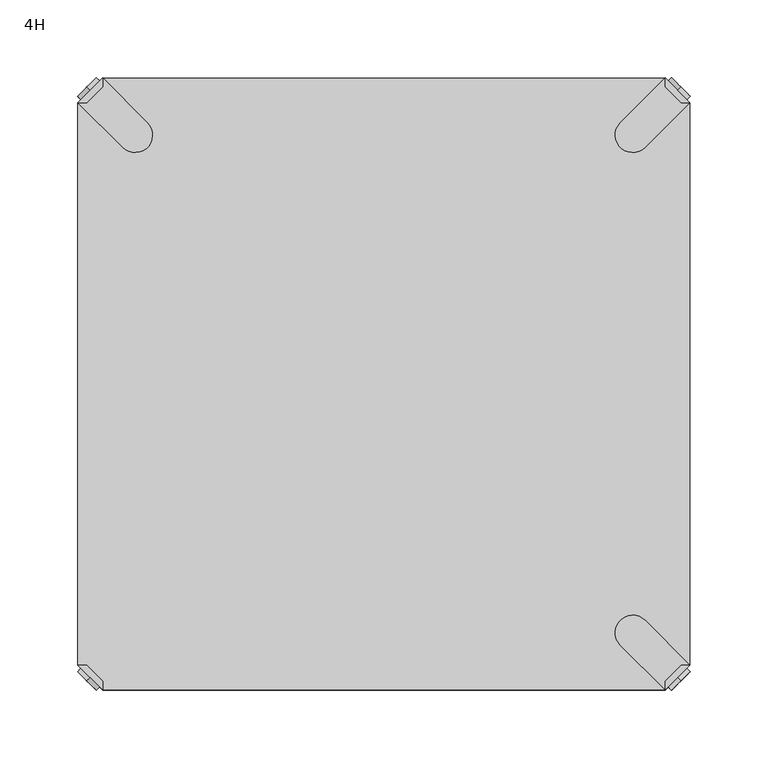
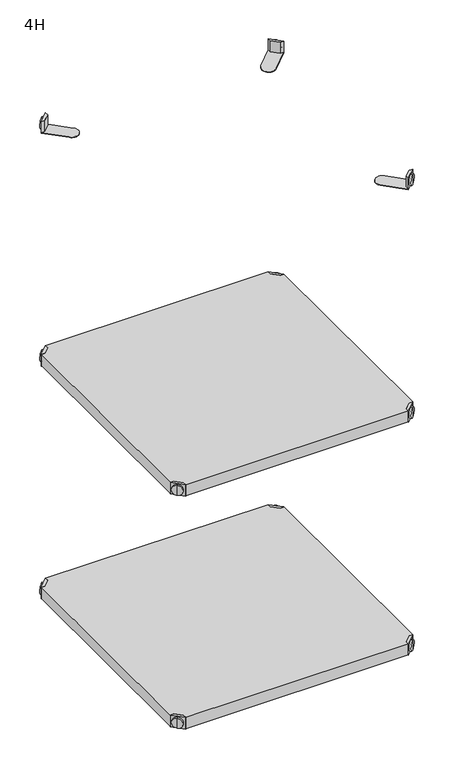
"""IFC4 building model written with IfcOpenShell, lengths in millimetres: furniture geometry, 4H."""

from ifc_helpers import new_model, si_unit, frame, origin, place, context, project, spatial, polyline, circle_curve, outline, extrude, source, transform, mapped, element, save
from ifc_brep_helpers import plane_surface, cylinder_surface, advanced_brep


def furniture_4h_f8468c08(model_context):
    return source(origin(), model_context, "Body", "SolidModel", [
        advanced_brep(
        [(389.0398449, 10.9601551, 498.5), (389.0398449, 10.9601551, 515.5), (389.0398449, 10.9601551, 507.0), (391.1611652, 8.8388348, 498.5), (391.1611652, 8.8388348, 515.5), (391.1611652, 8.8388348, 507.0)],
        [
            (0, 1, circle_curve(frame((389.0398449, 10.9601551, 507.0), z_axis=(-0.7071067811865556, 0.7071067811865395, 0.0), x_axis=(0.0, 0.0, 1.0)), 8.5)),
            (1, 2),
            (2, 0),
            (1, 0, circle_curve(frame((389.0398449, 10.9601551, 507.0), z_axis=(-0.7071067811865556, 0.7071067811865395, 0.0), x_axis=(0.0, 0.0, 1.0)), 8.5)),
            (3, 4, circle_curve(frame((391.1611652, 8.8388348, 507.0), z_axis=(-0.7071067811865556, 0.7071067811865395, 0.0), x_axis=(0.0, 0.0, 1.0)), 8.5)),
            (4, 1),
            (0, 3),
            (4, 3, circle_curve(frame((391.1611652, 8.8388348, 507.0), z_axis=(-0.7071067811865556, 0.7071067811865395, 0.0), x_axis=(0.0, 0.0, 1.0)), 8.5)),
            (5, 4),
            (3, 5),
        ],
        [
            plane_surface(frame((389.0398449, 10.9601551, 507.0), z_axis=(-0.7071067811865552, 0.7071067811865399, 0.0), x_axis=(0.0, 0.0, 1.0))),
            cylinder_surface(frame((391.1611652, 8.8388348, 507.0), z_axis=(0.7071067811865556, -0.7071067811865395, 0.0), x_axis=(0.0, 0.0, 1.0)), 8.5),
            plane_surface(frame((391.1611652, 8.8388348, 507.0), z_axis=(0.7071067811865552, -0.7071067811865399, 0.0), x_axis=(0.0, 0.0, 1.0))),
        ],
        [
            (0, [[1, 2, 3]]),
            (0, [[4, -3, -2]]),
            (1, [[5, 6, -1, 7]]),
            (1, [[8, -7, -4, -6]]),
            (2, [[9, -5, 10]]),
            (2, [[-10, -8, -9]]),
        ],
    ),
        advanced_brep(
        [(381.0796898, 3.0, 517.0), (397.0, 18.9203102, 517.0), (391.3431458, 18.9203102, 517.0), (381.0796898, 8.6568542, 517.0), (381.0796898, 3.0, 498.0), (381.0796898, 3.0, 497.0), (397.0, 18.9203102, 497.0), (397.0, 18.9203102, 498.0), (391.3431458, 18.9203102, 498.0), (381.0796898, 8.6568542, 498.0), (368.1906025, 47.7297077, 498.0), (352.2702923, 31.8093975, 498.0), (352.2702923, 31.8093975, 497.0), (368.1906025, 47.7297077, 497.0)],
        [
            (0, 1),
            (1, 2),
            (2, 3),
            (3, 0),
            (0, 4),
            (4, 5),
            (5, 6),
            (6, 7),
            (7, 1),
            (2, 8),
            (8, 9),
            (9, 3),
            (9, 4),
            (7, 8),
            (7, 10),
            (10, 11, circle_curve(frame((360.2304474, 39.7695526, 498.0), z_axis=(0.0, 0.0, 1.0), x_axis=(-1.0, 0.0, 0.0)), 11.2573593)),
            (11, 4),
            (5, 12),
            (12, 13, circle_curve(frame((360.2304474, 39.7695526, 497.0), z_axis=(0.0, 0.0, -1.0), x_axis=(-1.0, 0.0, 0.0)), 11.2573593)),
            (13, 6),
            (13, 10),
            (12, 11),
        ],
        [
            plane_surface(frame((438.8756299, 60.7959401, 517.0), z_axis=(0.0, 0.0, 1.0000000000000002), x_axis=(0.7071067811865465, 0.7071067811865487, 0.0))),
            plane_surface(frame((381.0796898, 3.0, 517.0), z_axis=(0.7071067811865487, -0.7071067811865465, 0.0), x_axis=(0.0, 0.0, -1.0))),
            plane_surface(frame((391.3431458, 18.9203102, 517.0), z_axis=(-0.7071067811865573, 0.7071067811865377, 0.0), x_axis=(0.0, 0.0, -1.0))),
            plane_surface(frame((381.0796898, 8.6568542, 517.0), z_axis=(-1.0, 0.0, 0.0), x_axis=(0.0, 0.0, -1.0))),
            plane_surface(frame((397.0, 18.9203102, 517.0), z_axis=(0.0, 1.0, 0.0), x_axis=(0.0, 0.0, -1.0))),
            plane_surface(frame((397.0, 18.9203102, 498.0), z_axis=(0.0, 0.0, 1.0), x_axis=(0.7071067811865392, 0.7071067811865558, 0.0))),
            plane_surface(frame((397.0, 18.9203102, 497.0), z_axis=(0.0, 0.0, -1.0), x_axis=(-0.7071067811865392, -0.7071067811865558, 0.0))),
            plane_surface(frame((397.0, 18.9203102, 498.0), z_axis=(0.7071067811865399, 0.7071067811865552, 0.0), x_axis=(0.0, 0.0, -1.0))),
            cylinder_surface(frame((360.2304474, 39.7695526, 497.0), z_axis=(0.0, 0.0, 1.0), x_axis=(-1.0, 0.0, 0.0)), 11.2573593),
            plane_surface(frame((352.2702923, 31.8093975, 498.0), z_axis=(-0.7071067811865388, -0.7071067811865563, 0.0), x_axis=(0.0, 0.0, -1.0))),
        ],
        [
            (0, [[1, 2, 3, 4]]),
            (1, [[-1, 5, 6, 7, 8, 9]]),
            (2, [[-3, 10, 11, 12]]),
            (3, [[-4, -12, 13, -5]]),
            (4, [[-2, -9, 14, -10]]),
            (5, [[15, 16, 17, -13, -11, -14]]),
            (6, [[18, 19, 20, -7]]),
            (7, [[-15, -8, -20, 21]]),
            (8, [[-16, -21, -19, 22]]),
            (9, [[-17, -22, -18, -6]]),
        ],
    ),
        advanced_brep(
        [(389.0398449, 389.0398449, 498.5), (389.0398449, 389.0398449, 507.0), (389.0398449, 389.0398449, 515.5), (391.1611652, 391.1611652, 498.5), (391.1611652, 391.1611652, 515.5), (391.1611652, 391.1611652, 507.0)],
        [
            (0, 1),
            (1, 2),
            (2, 0, circle_curve(frame((389.0398449, 389.0398449, 507.0), z_axis=(-0.7071067811865509, -0.7071067811865441, 0.0), x_axis=(0.0, 0.0, 1.0)), 8.5)),
            (0, 2, circle_curve(frame((389.0398449, 389.0398449, 507.0), z_axis=(-0.7071067811865509, -0.7071067811865441, 0.0), x_axis=(0.0, 0.0, 1.0)), 8.5)),
            (3, 0),
            (2, 4),
            (4, 3, circle_curve(frame((391.1611652, 391.1611652, 507.0), z_axis=(-0.7071067811865509, -0.7071067811865441, 0.0), x_axis=(0.0, 0.0, 1.0)), 8.5)),
            (3, 4, circle_curve(frame((391.1611652, 391.1611652, 507.0), z_axis=(-0.7071067811865509, -0.7071067811865441, 0.0), x_axis=(0.0, 0.0, 1.0)), 8.5)),
            (5, 3),
            (4, 5),
        ],
        [
            plane_surface(frame((389.0398449, 389.0398449, 507.0), z_axis=(-0.7071067811865506, -0.7071067811865446, 0.0), x_axis=(0.0, 0.0, 1.0))),
            cylinder_surface(frame((391.1611652, 391.1611652, 507.0), z_axis=(0.7071067811865509, 0.7071067811865441, 0.0), x_axis=(0.0, 0.0, 1.0)), 8.5),
            plane_surface(frame((391.1611652, 391.1611652, 507.0), z_axis=(0.7071067811865506, 0.7071067811865446, 0.0), x_axis=(0.0, 0.0, 1.0))),
        ],
        [
            (0, [[1, 2, 3]]),
            (0, [[-2, -1, 4]]),
            (1, [[5, -3, 6, 7]]),
            (1, [[-6, -4, -5, 8]]),
            (2, [[9, -7, 10]]),
            (2, [[-10, -8, -9]]),
        ],
    ),
        advanced_brep(
        [(381.0796898, 397.0, 517.0), (381.0796898, 391.3431458, 517.0), (391.3431458, 381.0796898, 517.0), (397.0, 381.0796898, 517.0), (397.0, 381.0796898, 498.0), (397.0, 381.0796898, 497.0), (381.0796898, 397.0, 497.0), (381.0796898, 397.0, 498.0), (381.0796898, 391.3431458, 498.0), (391.3431458, 381.0796898, 498.0), (352.2702923, 368.1906025, 498.0), (368.1906025, 352.2702923, 498.0), (368.1906025, 352.2702923, 497.0), (352.2702923, 368.1906025, 497.0)],
        [
            (0, 1),
            (1, 2),
            (2, 3),
            (3, 0),
            (3, 4),
            (4, 5),
            (5, 6),
            (6, 7),
            (7, 0),
            (1, 8),
            (8, 9),
            (9, 2),
            (7, 8),
            (9, 4),
            (7, 10),
            (10, 11, circle_curve(frame((360.2304474, 360.2304474, 498.0), z_axis=(0.0, 0.0, 1.0), x_axis=(-1.0, 0.0, 0.0)), 11.2573593)),
            (11, 4),
            (5, 12),
            (12, 13, circle_curve(frame((360.2304474, 360.2304474, 497.0), z_axis=(0.0, 0.0, -1.0), x_axis=(-1.0, 0.0, 0.0)), 11.2573593)),
            (13, 6),
            (11, 12),
            (10, 13),
        ],
        [
            plane_surface(frame((438.8756299, 339.2040599, 517.0), z_axis=(0.0, 0.0, 1.0000000000000002), x_axis=(0.7071067811865511, -0.707106781186544, 0.0))),
            plane_surface(frame((381.0796898, 397.0, 517.0), z_axis=(0.707106781186544, 0.7071067811865511, 0.0), x_axis=(0.0, 0.0, -1.0))),
            plane_surface(frame((391.3431458, 381.0796898, 517.0), z_axis=(-0.7071067811865527, -0.7071067811865424, 0.0), x_axis=(0.0, 0.0, -1.0))),
            plane_surface(frame((381.0796898, 391.3431458, 517.0), z_axis=(-1.0, 0.0, 0.0), x_axis=(0.0, 0.0, -1.0))),
            plane_surface(frame((397.0, 381.0796898, 517.0), z_axis=(0.0, -1.0, 0.0), x_axis=(0.0, 0.0, -1.0))),
            plane_surface(frame((397.0, 381.0796898, 498.0), z_axis=(0.0, 0.0, 1.0), x_axis=(0.7071067811865439, -0.7071067811865511, 0.0))),
            plane_surface(frame((397.0, 381.0796898, 497.0), z_axis=(0.0, 0.0, -1.0), x_axis=(-0.7071067811865439, 0.7071067811865511, 0.0))),
            plane_surface(frame((397.0, 381.0796898, 498.0), z_axis=(0.7071067811865446, -0.7071067811865506, 0.0), x_axis=(0.0, 0.0, -1.0))),
            cylinder_surface(frame((360.2304474, 360.2304474, 497.0), z_axis=(0.0, 0.0, 1.0), x_axis=(-1.0, 0.0, 0.0)), 11.2573593),
            plane_surface(frame((352.2702923, 368.1906025, 498.0), z_axis=(-0.7071067811865435, 0.7071067811865517, 0.0), x_axis=(0.0, 0.0, -1.0))),
        ],
        [
            (0, [[1, 2, 3, 4]]),
            (1, [[5, 6, 7, 8, 9, -4]]),
            (2, [[10, 11, 12, -2]]),
            (3, [[-9, 13, -10, -1]]),
            (4, [[-12, 14, -5, -3]]),
            (5, [[-14, -11, -13, 15, 16, 17]]),
            (6, [[-7, 18, 19, 20]]),
            (7, [[21, -18, -6, -17]]),
            (8, [[22, -19, -21, -16]]),
            (9, [[-8, -20, -22, -15]]),
        ],
    ),
        advanced_brep(
        [(10.9601551, 389.0398449, 498.5), (10.9601551, 389.0398449, 515.5), (10.9601551, 389.0398449, 507.0), (8.8388348, 391.1611652, 498.5), (8.8388348, 391.1611652, 515.5), (8.8388348, 391.1611652, 507.0)],
        [
            (0, 1, circle_curve(frame((10.9601551, 389.0398449, 507.0), z_axis=(0.7071067811865509, -0.7071067811865441, 0.0), x_axis=(0.0, 0.0, 1.0)), 8.5)),
            (1, 2),
            (2, 0),
            (1, 0, circle_curve(frame((10.9601551, 389.0398449, 507.0), z_axis=(0.7071067811865509, -0.7071067811865441, 0.0), x_axis=(0.0, 0.0, 1.0)), 8.5)),
            (3, 4, circle_curve(frame((8.8388348, 391.1611652, 507.0), z_axis=(0.7071067811865509, -0.7071067811865441, 0.0), x_axis=(0.0, 0.0, 1.0)), 8.5)),
            (4, 1),
            (0, 3),
            (4, 3, circle_curve(frame((8.8388348, 391.1611652, 507.0), z_axis=(0.7071067811865509, -0.7071067811865441, 0.0), x_axis=(0.0, 0.0, 1.0)), 8.5)),
            (5, 4),
            (3, 5),
        ],
        [
            plane_surface(frame((10.9601551, 389.0398449, 507.0), z_axis=(0.7071067811865506, -0.7071067811865446, 0.0), x_axis=(0.0, 0.0, 1.0))),
            cylinder_surface(frame((8.8388348, 391.1611652, 507.0), z_axis=(-0.7071067811865509, 0.7071067811865441, 0.0), x_axis=(0.0, 0.0, 1.0)), 8.5),
            plane_surface(frame((8.8388348, 391.1611652, 507.0), z_axis=(-0.7071067811865506, 0.7071067811865446, 0.0), x_axis=(0.0, 0.0, 1.0))),
        ],
        [
            (0, [[1, 2, 3]]),
            (0, [[4, -3, -2]]),
            (1, [[5, 6, -1, 7]]),
            (1, [[8, -7, -4, -6]]),
            (2, [[9, -5, 10]]),
            (2, [[-10, -8, -9]]),
        ],
    ),
        advanced_brep(
        [(18.9203102, 397.0, 517.0), (3.0, 381.0796898, 517.0), (8.6568542, 381.0796898, 517.0), (18.9203102, 391.3431458, 517.0), (18.9203102, 397.0, 498.0), (18.9203102, 397.0, 497.0), (3.0, 381.0796898, 497.0), (3.0, 381.0796898, 498.0), (8.6568542, 381.0796898, 498.0), (18.9203102, 391.3431458, 498.0), (31.8093975, 352.2702923, 498.0), (47.7297077, 368.1906025, 498.0), (47.7297077, 368.1906025, 497.0), (31.8093975, 352.2702923, 497.0)],
        [
            (0, 1),
            (1, 2),
            (2, 3),
            (3, 0),
            (0, 4),
            (4, 5),
            (5, 6),
            (6, 7),
            (7, 1),
            (2, 8),
            (8, 9),
            (9, 3),
            (9, 4),
            (7, 8),
            (7, 10),
            (10, 11, circle_curve(frame((39.7695526, 360.2304474, 498.0), z_axis=(0.0, 0.0, 1.0), x_axis=(1.0, 0.0, 0.0)), 11.2573593)),
            (11, 4),
            (5, 12),
            (12, 13, circle_curve(frame((39.7695526, 360.2304474, 497.0), z_axis=(0.0, 0.0, -1.0), x_axis=(1.0, 0.0, 0.0)), 11.2573593)),
            (13, 6),
            (13, 10),
            (12, 11),
        ],
        [
            plane_surface(frame((-38.8756299, 339.2040599, 517.0), z_axis=(0.0, 0.0, 1.0000000000000002), x_axis=(-0.7071067811865511, -0.707106781186544, 0.0))),
            plane_surface(frame((18.9203102, 397.0, 517.0), z_axis=(-0.707106781186544, 0.7071067811865511, 0.0), x_axis=(0.0, 0.0, -1.0))),
            plane_surface(frame((8.6568542, 381.0796898, 517.0), z_axis=(0.7071067811865527, -0.7071067811865424, 0.0), x_axis=(0.0, 0.0, -1.0))),
            plane_surface(frame((18.9203102, 391.3431458, 517.0), z_axis=(1.0, 0.0, 0.0), x_axis=(0.0, 0.0, -1.0))),
            plane_surface(frame((3.0, 381.0796898, 517.0), z_axis=(0.0, -1.0, 0.0), x_axis=(0.0, 0.0, -1.0))),
            plane_surface(frame((3.0, 381.0796898, 498.0), z_axis=(0.0, 0.0, 1.0), x_axis=(-0.7071067811865439, -0.7071067811865511, 0.0))),
            plane_surface(frame((3.0, 381.0796898, 497.0), z_axis=(0.0, 0.0, -1.0), x_axis=(0.7071067811865439, 0.7071067811865511, 0.0))),
            plane_surface(frame((3.0, 381.0796898, 498.0), z_axis=(-0.7071067811865446, -0.7071067811865506, 0.0), x_axis=(0.0, 0.0, -1.0))),
            cylinder_surface(frame((39.7695526, 360.2304474, 497.0), z_axis=(0.0, 0.0, 1.0), x_axis=(1.0, 0.0, 0.0)), 11.2573593),
            plane_surface(frame((47.7297077, 368.1906025, 498.0), z_axis=(0.7071067811865435, 0.7071067811865517, 0.0), x_axis=(0.0, 0.0, -1.0))),
        ],
        [
            (0, [[1, 2, 3, 4]]),
            (1, [[-1, 5, 6, 7, 8, 9]]),
            (2, [[-3, 10, 11, 12]]),
            (3, [[-4, -12, 13, -5]]),
            (4, [[-2, -9, 14, -10]]),
            (5, [[15, 16, 17, -13, -11, -14]]),
            (6, [[18, 19, 20, -7]]),
            (7, [[-15, -8, -20, 21]]),
            (8, [[-16, -21, -19, 22]]),
            (9, [[-17, -22, -18, -6]]),
        ],
    ),
        advanced_brep(
        [(10.9601551, 10.9601551, 498.5), (10.9601551, 10.9601551, 507.0), (10.9601551, 10.9601551, 515.5), (8.8388348, 8.8388348, 498.5), (8.8388348, 8.8388348, 515.5), (8.8388348, 8.8388348, 507.0)],
        [
            (0, 1),
            (1, 2),
            (2, 0, circle_curve(frame((10.9601551, 10.9601551, 507.0), z_axis=(0.7071067811865464, 0.7071067811865487, 0.0), x_axis=(0.0, 0.0, 1.0)), 8.5)),
            (0, 2, circle_curve(frame((10.9601551, 10.9601551, 507.0), z_axis=(0.7071067811865464, 0.7071067811865487, 0.0), x_axis=(0.0, 0.0, 1.0)), 8.5)),
            (3, 0),
            (2, 4),
            (4, 3, circle_curve(frame((8.8388348, 8.8388348, 507.0), z_axis=(0.7071067811865464, 0.7071067811865487, 0.0), x_axis=(0.0, 0.0, 1.0)), 8.5)),
            (3, 4, circle_curve(frame((8.8388348, 8.8388348, 507.0), z_axis=(0.7071067811865464, 0.7071067811865487, 0.0), x_axis=(0.0, 0.0, 1.0)), 8.5)),
            (5, 3),
            (4, 5),
        ],
        [
            plane_surface(frame((10.9601551, 10.9601551, 507.0), z_axis=(0.707106781186546, 0.7071067811865491, 0.0), x_axis=(0.0, 0.0, 1.0))),
            cylinder_surface(frame((8.8388348, 8.8388348, 507.0), z_axis=(-0.7071067811865464, -0.7071067811865487, 0.0), x_axis=(0.0, 0.0, 1.0)), 8.5),
            plane_surface(frame((8.8388348, 8.8388348, 507.0), z_axis=(-0.707106781186546, -0.7071067811865491, 0.0), x_axis=(0.0, 0.0, 1.0))),
        ],
        [
            (0, [[1, 2, 3]]),
            (0, [[-2, -1, 4]]),
            (1, [[5, -3, 6, 7]]),
            (1, [[-6, -4, -5, 8]]),
            (2, [[9, -7, 10]]),
            (2, [[-10, -8, -9]]),
        ],
    ),
        advanced_brep(
        [(18.9203102, 3.0, 517.0), (18.9203102, 8.6568542, 517.0), (8.6568542, 18.9203102, 517.0), (3.0, 18.9203102, 517.0), (3.0, 18.9203102, 498.0), (3.0, 18.9203102, 497.0), (18.9203102, 3.0, 497.0), (18.9203102, 3.0, 498.0), (18.9203102, 8.6568542, 498.0), (8.6568542, 18.9203102, 498.0), (47.7297077, 31.8093975, 498.0), (31.8093975, 47.7297077, 498.0), (31.8093975, 47.7297077, 497.0), (47.7297077, 31.8093975, 497.0)],
        [
            (0, 1),
            (1, 2),
            (2, 3),
            (3, 0),
            (3, 4),
            (4, 5),
            (5, 6),
            (6, 7),
            (7, 0),
            (1, 8),
            (8, 9),
            (9, 2),
            (7, 8),
            (9, 4),
            (7, 10),
            (10, 11, circle_curve(frame((39.7695526, 39.7695526, 498.0), z_axis=(0.0, 0.0, 1.0), x_axis=(1.0, 0.0, 0.0)), 11.2573593)),
            (11, 4),
            (5, 12),
            (12, 13, circle_curve(frame((39.7695526, 39.7695526, 497.0), z_axis=(0.0, 0.0, -1.0), x_axis=(1.0, 0.0, 0.0)), 11.2573593)),
            (13, 6),
            (11, 12),
            (10, 13),
        ],
        [
            plane_surface(frame((-38.8756299, 60.7959401, 517.0), z_axis=(0.0, 0.0, 1.0000000000000002), x_axis=(-0.7071067811865557, 0.7071067811865395, 0.0))),
            plane_surface(frame((18.9203102, 3.0, 517.0), z_axis=(-0.7071067811865395, -0.7071067811865557, 0.0), x_axis=(0.0, 0.0, -1.0))),
            plane_surface(frame((8.6568542, 18.9203102, 517.0), z_axis=(0.7071067811865481, 0.7071067811865469, 0.0), x_axis=(0.0, 0.0, -1.0))),
            plane_surface(frame((18.9203102, 8.6568542, 517.0), z_axis=(1.0, 0.0, 0.0), x_axis=(0.0, 0.0, -1.0))),
            plane_surface(frame((3.0, 18.9203102, 517.0), z_axis=(0.0, 1.0, 0.0), x_axis=(0.0, 0.0, -1.0))),
            plane_surface(frame((3.0, 18.9203102, 498.0), z_axis=(0.0, 0.0, 1.0), x_axis=(-0.7071067811865485, 0.7071067811865466, 0.0))),
            plane_surface(frame((3.0, 18.9203102, 497.0), z_axis=(0.0, 0.0, -1.0), x_axis=(0.7071067811865485, -0.7071067811865466, 0.0))),
            plane_surface(frame((3.0, 18.9203102, 498.0), z_axis=(-0.7071067811865491, 0.707106781186546, 0.0), x_axis=(0.0, 0.0, -1.0))),
            cylinder_surface(frame((39.7695526, 39.7695526, 497.0), z_axis=(0.0, 0.0, 1.0), x_axis=(1.0, 0.0, 0.0)), 11.2573593),
            plane_surface(frame((47.7297077, 31.8093975, 498.0), z_axis=(0.707106781186548, -0.7071067811865471, 0.0), x_axis=(0.0, 0.0, -1.0))),
        ],
        [
            (0, [[1, 2, 3, 4]]),
            (1, [[5, 6, 7, 8, 9, -4]]),
            (2, [[10, 11, 12, -2]]),
            (3, [[-9, 13, -10, -1]]),
            (4, [[-12, 14, -5, -3]]),
            (5, [[-14, -11, -13, 15, 16, 17]]),
            (6, [[-7, 18, 19, 20]]),
            (7, [[21, -18, -6, -17]]),
            (8, [[22, -19, -21, -16]]),
            (9, [[-8, -20, -22, -15]]),
        ],
    ),
        extrude(outline(polyline([(381.0796898, 3.0), (18.9203102, 3.0), (18.9203102, 8.6568542), (8.6568542, 18.9203102), (3.0, 18.9203102), (3.0, 381.0796898), (8.6568542, 381.0796898), (18.9203102, 391.3431458), (18.9203102, 397.0), (381.0796898, 397.0), (381.0796898, 391.3431458), (391.3431458, 381.0796898), (397.0, 381.0796898), (397.0, 18.9203102), (391.3431458, 18.9203102), (381.0796898, 8.6568542), (381.0796898, 3.0)])), frame((0.0, 0.0, 498.0), z_axis=(0.0, 0.0, 1.0), x_axis=(1.0, 0.0, 0.0)), (0.0, 0.0, 1.0), 19.0),
        advanced_brep(
        [(389.0398449, 10.9601551, 898.5), (389.0398449, 10.9601551, 915.5), (389.0398449, 10.9601551, 907.0), (391.1611652, 8.8388348, 898.5), (391.1611652, 8.8388348, 915.5), (391.1611652, 8.8388348, 907.0)],
        [
            (0, 1, circle_curve(frame((389.0398449, 10.9601551, 907.0), z_axis=(-0.7071067811865556, 0.7071067811865395, 0.0), x_axis=(0.0, 0.0, 1.0)), 8.5)),
            (1, 2),
            (2, 0),
            (1, 0, circle_curve(frame((389.0398449, 10.9601551, 907.0), z_axis=(-0.7071067811865556, 0.7071067811865395, 0.0), x_axis=(0.0, 0.0, 1.0)), 8.5)),
            (3, 4, circle_curve(frame((391.1611652, 8.8388348, 907.0), z_axis=(-0.7071067811865556, 0.7071067811865395, 0.0), x_axis=(0.0, 0.0, 1.0)), 8.5)),
            (4, 1),
            (0, 3),
            (4, 3, circle_curve(frame((391.1611652, 8.8388348, 907.0), z_axis=(-0.7071067811865556, 0.7071067811865395, 0.0), x_axis=(0.0, 0.0, 1.0)), 8.5)),
            (5, 4),
            (3, 5),
        ],
        [
            plane_surface(frame((389.0398449, 10.9601551, 907.0), z_axis=(-0.7071067811865552, 0.7071067811865399, 0.0), x_axis=(0.0, 0.0, 1.0))),
            cylinder_surface(frame((391.1611652, 8.8388348, 907.0), z_axis=(0.7071067811865556, -0.7071067811865395, 0.0), x_axis=(0.0, 0.0, 1.0)), 8.5),
            plane_surface(frame((391.1611652, 8.8388348, 907.0), z_axis=(0.7071067811865552, -0.7071067811865399, 0.0), x_axis=(0.0, 0.0, 1.0))),
        ],
        [
            (0, [[1, 2, 3]]),
            (0, [[4, -3, -2]]),
            (1, [[5, 6, -1, 7]]),
            (1, [[8, -7, -4, -6]]),
            (2, [[9, -5, 10]]),
            (2, [[-10, -8, -9]]),
        ],
    ),
        advanced_brep(
        [(381.0796898, 3.0, 917.0), (397.0, 18.9203102, 917.0), (391.3431458, 18.9203102, 917.0), (381.0796898, 8.6568542, 917.0), (381.0796898, 3.0, 898.0), (381.0796898, 3.0, 897.0), (397.0, 18.9203102, 897.0), (397.0, 18.9203102, 898.0), (391.3431458, 18.9203102, 898.0), (381.0796898, 8.6568542, 898.0), (368.1906025, 47.7297077, 898.0), (352.2702923, 31.8093975, 898.0), (352.2702923, 31.8093975, 897.0), (368.1906025, 47.7297077, 897.0)],
        [
            (0, 1),
            (1, 2),
            (2, 3),
            (3, 0),
            (0, 4),
            (4, 5),
            (5, 6),
            (6, 7),
            (7, 1),
            (2, 8),
            (8, 9),
            (9, 3),
            (9, 4),
            (7, 8),
            (7, 10),
            (10, 11, circle_curve(frame((360.2304474, 39.7695526, 898.0), z_axis=(0.0, 0.0, 1.0), x_axis=(-1.0, 0.0, 0.0)), 11.2573593)),
            (11, 4),
            (5, 12),
            (12, 13, circle_curve(frame((360.2304474, 39.7695526, 897.0), z_axis=(0.0, 0.0, -1.0), x_axis=(-1.0, 0.0, 0.0)), 11.2573593)),
            (13, 6),
            (13, 10),
            (12, 11),
        ],
        [
            plane_surface(frame((438.8756299, 60.7959401, 917.0), z_axis=(0.0, 0.0, 1.0000000000000002), x_axis=(0.7071067811865465, 0.7071067811865487, 0.0))),
            plane_surface(frame((381.0796898, 3.0, 917.0), z_axis=(0.7071067811865487, -0.7071067811865465, 0.0), x_axis=(0.0, 0.0, -1.0))),
            plane_surface(frame((391.3431458, 18.9203102, 917.0), z_axis=(-0.7071067811865573, 0.7071067811865377, 0.0), x_axis=(0.0, 0.0, -1.0))),
            plane_surface(frame((381.0796898, 8.6568542, 917.0), z_axis=(-1.0, 0.0, 0.0), x_axis=(0.0, 0.0, -1.0))),
            plane_surface(frame((397.0, 18.9203102, 917.0), z_axis=(0.0, 1.0, 0.0), x_axis=(0.0, 0.0, -1.0))),
            plane_surface(frame((397.0, 18.9203102, 898.0), z_axis=(0.0, 0.0, 1.0), x_axis=(0.7071067811865392, 0.7071067811865558, 0.0))),
            plane_surface(frame((397.0, 18.9203102, 897.0), z_axis=(0.0, 0.0, -1.0), x_axis=(-0.7071067811865392, -0.7071067811865558, 0.0))),
            plane_surface(frame((397.0, 18.9203102, 898.0), z_axis=(0.7071067811865399, 0.7071067811865552, 0.0), x_axis=(0.0, 0.0, -1.0))),
            cylinder_surface(frame((360.2304474, 39.7695526, 897.0), z_axis=(0.0, 0.0, 1.0), x_axis=(-1.0, 0.0, 0.0)), 11.2573593),
            plane_surface(frame((352.2702923, 31.8093975, 898.0), z_axis=(-0.7071067811865388, -0.7071067811865563, 0.0), x_axis=(0.0, 0.0, -1.0))),
        ],
        [
            (0, [[1, 2, 3, 4]]),
            (1, [[-1, 5, 6, 7, 8, 9]]),
            (2, [[-3, 10, 11, 12]]),
            (3, [[-4, -12, 13, -5]]),
            (4, [[-2, -9, 14, -10]]),
            (5, [[15, 16, 17, -13, -11, -14]]),
            (6, [[18, 19, 20, -7]]),
            (7, [[-15, -8, -20, 21]]),
            (8, [[-16, -21, -19, 22]]),
            (9, [[-17, -22, -18, -6]]),
        ],
    ),
        advanced_brep(
        [(389.0398449, 389.0398449, 898.5), (389.0398449, 389.0398449, 907.0), (389.0398449, 389.0398449, 915.5), (391.1611652, 391.1611652, 898.5), (391.1611652, 391.1611652, 915.5), (391.1611652, 391.1611652, 907.0)],
        [
            (0, 1),
            (1, 2),
            (2, 0, circle_curve(frame((389.0398449, 389.0398449, 907.0), z_axis=(-0.7071067811865509, -0.7071067811865441, 0.0), x_axis=(0.0, 0.0, 1.0)), 8.5)),
            (0, 2, circle_curve(frame((389.0398449, 389.0398449, 907.0), z_axis=(-0.7071067811865509, -0.7071067811865441, 0.0), x_axis=(0.0, 0.0, 1.0)), 8.5)),
            (3, 0),
            (2, 4),
            (4, 3, circle_curve(frame((391.1611652, 391.1611652, 907.0), z_axis=(-0.7071067811865509, -0.7071067811865441, 0.0), x_axis=(0.0, 0.0, 1.0)), 8.5)),
            (3, 4, circle_curve(frame((391.1611652, 391.1611652, 907.0), z_axis=(-0.7071067811865509, -0.7071067811865441, 0.0), x_axis=(0.0, 0.0, 1.0)), 8.5)),
            (5, 3),
            (4, 5),
        ],
        [
            plane_surface(frame((389.0398449, 389.0398449, 907.0), z_axis=(-0.7071067811865506, -0.7071067811865446, 0.0), x_axis=(0.0, 0.0, 1.0))),
            cylinder_surface(frame((391.1611652, 391.1611652, 907.0), z_axis=(0.7071067811865509, 0.7071067811865441, 0.0), x_axis=(0.0, 0.0, 1.0)), 8.5),
            plane_surface(frame((391.1611652, 391.1611652, 907.0), z_axis=(0.7071067811865506, 0.7071067811865446, 0.0), x_axis=(0.0, 0.0, 1.0))),
        ],
        [
            (0, [[1, 2, 3]]),
            (0, [[-2, -1, 4]]),
            (1, [[5, -3, 6, 7]]),
            (1, [[-6, -4, -5, 8]]),
            (2, [[9, -7, 10]]),
            (2, [[-10, -8, -9]]),
        ],
    ),
        advanced_brep(
        [(381.0796898, 397.0, 917.0), (381.0796898, 391.3431458, 917.0), (391.3431458, 381.0796898, 917.0), (397.0, 381.0796898, 917.0), (397.0, 381.0796898, 898.0), (397.0, 381.0796898, 897.0), (381.0796898, 397.0, 897.0), (381.0796898, 397.0, 898.0), (381.0796898, 391.3431458, 898.0), (391.3431458, 381.0796898, 898.0), (352.2702923, 368.1906025, 898.0), (368.1906025, 352.2702923, 898.0), (368.1906025, 352.2702923, 897.0), (352.2702923, 368.1906025, 897.0)],
        [
            (0, 1),
            (1, 2),
            (2, 3),
            (3, 0),
            (3, 4),
            (4, 5),
            (5, 6),
            (6, 7),
            (7, 0),
            (1, 8),
            (8, 9),
            (9, 2),
            (7, 8),
            (9, 4),
            (7, 10),
            (10, 11, circle_curve(frame((360.2304474, 360.2304474, 898.0), z_axis=(0.0, 0.0, 1.0), x_axis=(-1.0, 0.0, 0.0)), 11.2573593)),
            (11, 4),
            (5, 12),
            (12, 13, circle_curve(frame((360.2304474, 360.2304474, 897.0), z_axis=(0.0, 0.0, -1.0), x_axis=(-1.0, 0.0, 0.0)), 11.2573593)),
            (13, 6),
            (11, 12),
            (10, 13),
        ],
        [
            plane_surface(frame((438.8756299, 339.2040599, 917.0), z_axis=(0.0, 0.0, 1.0000000000000002), x_axis=(0.7071067811865511, -0.707106781186544, 0.0))),
            plane_surface(frame((381.0796898, 397.0, 917.0), z_axis=(0.707106781186544, 0.7071067811865511, 0.0), x_axis=(0.0, 0.0, -1.0))),
            plane_surface(frame((391.3431458, 381.0796898, 917.0), z_axis=(-0.7071067811865527, -0.7071067811865424, 0.0), x_axis=(0.0, 0.0, -1.0))),
            plane_surface(frame((381.0796898, 391.3431458, 917.0), z_axis=(-1.0, 0.0, 0.0), x_axis=(0.0, 0.0, -1.0))),
            plane_surface(frame((397.0, 381.0796898, 917.0), z_axis=(0.0, -1.0, 0.0), x_axis=(0.0, 0.0, -1.0))),
            plane_surface(frame((397.0, 381.0796898, 898.0), z_axis=(0.0, 0.0, 1.0), x_axis=(0.7071067811865439, -0.7071067811865511, 0.0))),
            plane_surface(frame((397.0, 381.0796898, 897.0), z_axis=(0.0, 0.0, -1.0), x_axis=(-0.7071067811865439, 0.7071067811865511, 0.0))),
            plane_surface(frame((397.0, 381.0796898, 898.0), z_axis=(0.7071067811865446, -0.7071067811865506, 0.0), x_axis=(0.0, 0.0, -1.0))),
            cylinder_surface(frame((360.2304474, 360.2304474, 897.0), z_axis=(0.0, 0.0, 1.0), x_axis=(-1.0, 0.0, 0.0)), 11.2573593),
            plane_surface(frame((352.2702923, 368.1906025, 898.0), z_axis=(-0.7071067811865435, 0.7071067811865517, 0.0), x_axis=(0.0, 0.0, -1.0))),
        ],
        [
            (0, [[1, 2, 3, 4]]),
            (1, [[5, 6, 7, 8, 9, -4]]),
            (2, [[10, 11, 12, -2]]),
            (3, [[-9, 13, -10, -1]]),
            (4, [[-12, 14, -5, -3]]),
            (5, [[-14, -11, -13, 15, 16, 17]]),
            (6, [[-7, 18, 19, 20]]),
            (7, [[21, -18, -6, -17]]),
            (8, [[22, -19, -21, -16]]),
            (9, [[-8, -20, -22, -15]]),
        ],
    ),
        advanced_brep(
        [(10.9601551, 389.0398449, 898.5), (10.9601551, 389.0398449, 915.5), (10.9601551, 389.0398449, 907.0), (8.8388348, 391.1611652, 898.5), (8.8388348, 391.1611652, 915.5), (8.8388348, 391.1611652, 907.0)],
        [
            (0, 1, circle_curve(frame((10.9601551, 389.0398449, 907.0), z_axis=(0.7071067811865509, -0.7071067811865441, 0.0), x_axis=(0.0, 0.0, 1.0)), 8.5)),
            (1, 2),
            (2, 0),
            (1, 0, circle_curve(frame((10.9601551, 389.0398449, 907.0), z_axis=(0.7071067811865509, -0.7071067811865441, 0.0), x_axis=(0.0, 0.0, 1.0)), 8.5)),
            (3, 4, circle_curve(frame((8.8388348, 391.1611652, 907.0), z_axis=(0.7071067811865509, -0.7071067811865441, 0.0), x_axis=(0.0, 0.0, 1.0)), 8.5)),
            (4, 1),
            (0, 3),
            (4, 3, circle_curve(frame((8.8388348, 391.1611652, 907.0), z_axis=(0.7071067811865509, -0.7071067811865441, 0.0), x_axis=(0.0, 0.0, 1.0)), 8.5)),
            (5, 4),
            (3, 5),
        ],
        [
            plane_surface(frame((10.9601551, 389.0398449, 907.0), z_axis=(0.7071067811865506, -0.7071067811865446, 0.0), x_axis=(0.0, 0.0, 1.0))),
            cylinder_surface(frame((8.8388348, 391.1611652, 907.0), z_axis=(-0.7071067811865509, 0.7071067811865441, 0.0), x_axis=(0.0, 0.0, 1.0)), 8.5),
            plane_surface(frame((8.8388348, 391.1611652, 907.0), z_axis=(-0.7071067811865506, 0.7071067811865446, 0.0), x_axis=(0.0, 0.0, 1.0))),
        ],
        [
            (0, [[1, 2, 3]]),
            (0, [[4, -3, -2]]),
            (1, [[5, 6, -1, 7]]),
            (1, [[8, -7, -4, -6]]),
            (2, [[9, -5, 10]]),
            (2, [[-10, -8, -9]]),
        ],
    ),
        advanced_brep(
        [(18.9203102, 397.0, 917.0), (3.0, 381.0796898, 917.0), (8.6568542, 381.0796898, 917.0), (18.9203102, 391.3431458, 917.0), (18.9203102, 397.0, 898.0), (18.9203102, 397.0, 897.0), (3.0, 381.0796898, 897.0), (3.0, 381.0796898, 898.0), (8.6568542, 381.0796898, 898.0), (18.9203102, 391.3431458, 898.0), (31.8093975, 352.2702923, 898.0), (47.7297077, 368.1906025, 898.0), (47.7297077, 368.1906025, 897.0), (31.8093975, 352.2702923, 897.0)],
        [
            (0, 1),
            (1, 2),
            (2, 3),
            (3, 0),
            (0, 4),
            (4, 5),
            (5, 6),
            (6, 7),
            (7, 1),
            (2, 8),
            (8, 9),
            (9, 3),
            (9, 4),
            (7, 8),
            (7, 10),
            (10, 11, circle_curve(frame((39.7695526, 360.2304474, 898.0), z_axis=(0.0, 0.0, 1.0), x_axis=(1.0, 0.0, 0.0)), 11.2573593)),
            (11, 4),
            (5, 12),
            (12, 13, circle_curve(frame((39.7695526, 360.2304474, 897.0), z_axis=(0.0, 0.0, -1.0), x_axis=(1.0, 0.0, 0.0)), 11.2573593)),
            (13, 6),
            (13, 10),
            (12, 11),
        ],
        [
            plane_surface(frame((-38.8756299, 339.2040599, 917.0), z_axis=(0.0, 0.0, 1.0000000000000002), x_axis=(-0.7071067811865511, -0.707106781186544, 0.0))),
            plane_surface(frame((18.9203102, 397.0, 917.0), z_axis=(-0.707106781186544, 0.7071067811865511, 0.0), x_axis=(0.0, 0.0, -1.0))),
            plane_surface(frame((8.6568542, 381.0796898, 917.0), z_axis=(0.7071067811865527, -0.7071067811865424, 0.0), x_axis=(0.0, 0.0, -1.0))),
            plane_surface(frame((18.9203102, 391.3431458, 917.0), z_axis=(1.0, 0.0, 0.0), x_axis=(0.0, 0.0, -1.0))),
            plane_surface(frame((3.0, 381.0796898, 917.0), z_axis=(0.0, -1.0, 0.0), x_axis=(0.0, 0.0, -1.0))),
            plane_surface(frame((3.0, 381.0796898, 898.0), z_axis=(0.0, 0.0, 1.0), x_axis=(-0.7071067811865439, -0.7071067811865511, 0.0))),
            plane_surface(frame((3.0, 381.0796898, 897.0), z_axis=(0.0, 0.0, -1.0), x_axis=(0.7071067811865439, 0.7071067811865511, 0.0))),
            plane_surface(frame((3.0, 381.0796898, 898.0), z_axis=(-0.7071067811865446, -0.7071067811865506, 0.0), x_axis=(0.0, 0.0, -1.0))),
            cylinder_surface(frame((39.7695526, 360.2304474, 897.0), z_axis=(0.0, 0.0, 1.0), x_axis=(1.0, 0.0, 0.0)), 11.2573593),
            plane_surface(frame((47.7297077, 368.1906025, 898.0), z_axis=(0.7071067811865435, 0.7071067811865517, 0.0), x_axis=(0.0, 0.0, -1.0))),
        ],
        [
            (0, [[1, 2, 3, 4]]),
            (1, [[-1, 5, 6, 7, 8, 9]]),
            (2, [[-3, 10, 11, 12]]),
            (3, [[-4, -12, 13, -5]]),
            (4, [[-2, -9, 14, -10]]),
            (5, [[15, 16, 17, -13, -11, -14]]),
            (6, [[18, 19, 20, -7]]),
            (7, [[-15, -8, -20, 21]]),
            (8, [[-16, -21, -19, 22]]),
            (9, [[-17, -22, -18, -6]]),
        ],
    ),
        advanced_brep(
        [(10.9601551, 10.9601551, 898.5), (10.9601551, 10.9601551, 907.0), (10.9601551, 10.9601551, 915.5), (8.8388348, 8.8388348, 898.5), (8.8388348, 8.8388348, 915.5), (8.8388348, 8.8388348, 907.0)],
        [
            (0, 1),
            (1, 2),
            (2, 0, circle_curve(frame((10.9601551, 10.9601551, 907.0), z_axis=(0.7071067811865464, 0.7071067811865487, 0.0), x_axis=(0.0, 0.0, 1.0)), 8.5)),
            (0, 2, circle_curve(frame((10.9601551, 10.9601551, 907.0), z_axis=(0.7071067811865464, 0.7071067811865487, 0.0), x_axis=(0.0, 0.0, 1.0)), 8.5)),
            (3, 0),
            (2, 4),
            (4, 3, circle_curve(frame((8.8388348, 8.8388348, 907.0), z_axis=(0.7071067811865464, 0.7071067811865487, 0.0), x_axis=(0.0, 0.0, 1.0)), 8.5)),
            (3, 4, circle_curve(frame((8.8388348, 8.8388348, 907.0), z_axis=(0.7071067811865464, 0.7071067811865487, 0.0), x_axis=(0.0, 0.0, 1.0)), 8.5)),
            (5, 3),
            (4, 5),
        ],
        [
            plane_surface(frame((10.9601551, 10.9601551, 907.0), z_axis=(0.707106781186546, 0.7071067811865491, 0.0), x_axis=(0.0, 0.0, 1.0))),
            cylinder_surface(frame((8.8388348, 8.8388348, 907.0), z_axis=(-0.7071067811865464, -0.7071067811865487, 0.0), x_axis=(0.0, 0.0, 1.0)), 8.5),
            plane_surface(frame((8.8388348, 8.8388348, 907.0), z_axis=(-0.707106781186546, -0.7071067811865491, 0.0), x_axis=(0.0, 0.0, 1.0))),
        ],
        [
            (0, [[1, 2, 3]]),
            (0, [[-2, -1, 4]]),
            (1, [[5, -3, 6, 7]]),
            (1, [[-6, -4, -5, 8]]),
            (2, [[9, -7, 10]]),
            (2, [[-10, -8, -9]]),
        ],
    ),
        advanced_brep(
        [(18.9203102, 3.0, 917.0), (18.9203102, 8.6568542, 917.0), (8.6568542, 18.9203102, 917.0), (3.0, 18.9203102, 917.0), (3.0, 18.9203102, 898.0), (3.0, 18.9203102, 897.0), (18.9203102, 3.0, 897.0), (18.9203102, 3.0, 898.0), (18.9203102, 8.6568542, 898.0), (8.6568542, 18.9203102, 898.0), (47.7297077, 31.8093975, 898.0), (31.8093975, 47.7297077, 898.0), (31.8093975, 47.7297077, 897.0), (47.7297077, 31.8093975, 897.0)],
        [
            (0, 1),
            (1, 2),
            (2, 3),
            (3, 0),
            (3, 4),
            (4, 5),
            (5, 6),
            (6, 7),
            (7, 0),
            (1, 8),
            (8, 9),
            (9, 2),
            (7, 8),
            (9, 4),
            (7, 10),
            (10, 11, circle_curve(frame((39.7695526, 39.7695526, 898.0), z_axis=(0.0, 0.0, 1.0), x_axis=(1.0, 0.0, 0.0)), 11.2573593)),
            (11, 4),
            (5, 12),
            (12, 13, circle_curve(frame((39.7695526, 39.7695526, 897.0), z_axis=(0.0, 0.0, -1.0), x_axis=(1.0, 0.0, 0.0)), 11.2573593)),
            (13, 6),
            (11, 12),
            (10, 13),
        ],
        [
            plane_surface(frame((-38.8756299, 60.7959401, 917.0), z_axis=(0.0, 0.0, 1.0000000000000002), x_axis=(-0.7071067811865557, 0.7071067811865395, 0.0))),
            plane_surface(frame((18.9203102, 3.0, 917.0), z_axis=(-0.7071067811865395, -0.7071067811865557, 0.0), x_axis=(0.0, 0.0, -1.0))),
            plane_surface(frame((8.6568542, 18.9203102, 917.0), z_axis=(0.7071067811865481, 0.7071067811865469, 0.0), x_axis=(0.0, 0.0, -1.0))),
            plane_surface(frame((18.9203102, 8.6568542, 917.0), z_axis=(1.0, 0.0, 0.0), x_axis=(0.0, 0.0, -1.0))),
            plane_surface(frame((3.0, 18.9203102, 917.0), z_axis=(0.0, 1.0, 0.0), x_axis=(0.0, 0.0, -1.0))),
            plane_surface(frame((3.0, 18.9203102, 898.0), z_axis=(0.0, 0.0, 1.0), x_axis=(-0.7071067811865485, 0.7071067811865466, 0.0))),
            plane_surface(frame((3.0, 18.9203102, 897.0), z_axis=(0.0, 0.0, -1.0), x_axis=(0.7071067811865485, -0.7071067811865466, 0.0))),
            plane_surface(frame((3.0, 18.9203102, 898.0), z_axis=(-0.7071067811865491, 0.707106781186546, 0.0), x_axis=(0.0, 0.0, -1.0))),
            cylinder_surface(frame((39.7695526, 39.7695526, 897.0), z_axis=(0.0, 0.0, 1.0), x_axis=(1.0, 0.0, 0.0)), 11.2573593),
            plane_surface(frame((47.7297077, 31.8093975, 898.0), z_axis=(0.707106781186548, -0.7071067811865471, 0.0), x_axis=(0.0, 0.0, -1.0))),
        ],
        [
            (0, [[1, 2, 3, 4]]),
            (1, [[5, 6, 7, 8, 9, -4]]),
            (2, [[10, 11, 12, -2]]),
            (3, [[-9, 13, -10, -1]]),
            (4, [[-12, 14, -5, -3]]),
            (5, [[-14, -11, -13, 15, 16, 17]]),
            (6, [[-7, 18, 19, 20]]),
            (7, [[21, -18, -6, -17]]),
            (8, [[22, -19, -21, -16]]),
            (9, [[-8, -20, -22, -15]]),
        ],
    ),
        extrude(outline(polyline([(381.0796898, 3.0), (18.9203102, 3.0), (18.9203102, 8.6568542), (8.6568542, 18.9203102), (3.0, 18.9203102), (3.0, 381.0796898), (8.6568542, 381.0796898), (18.9203102, 391.3431458), (18.9203102, 397.0), (381.0796898, 397.0), (381.0796898, 391.3431458), (391.3431458, 381.0796898), (397.0, 381.0796898), (397.0, 18.9203102), (391.3431458, 18.9203102), (381.0796898, 8.6568542), (381.0796898, 3.0)])), frame((0.0, 0.0, 898.0), z_axis=(0.0, 0.0, 1.0), x_axis=(1.0, 0.0, 0.0)), (0.0, 0.0, 1.0), 19.0),
        advanced_brep(
        [(389.0398449, 10.9601551, 1298.5), (389.0398449, 10.9601551, 1315.5), (389.0398449, 10.9601551, 1307.0), (391.1611652, 8.8388348, 1298.5), (391.1611652, 8.8388348, 1315.5), (391.1611652, 8.8388348, 1307.0)],
        [
            (0, 1, circle_curve(frame((389.0398449, 10.9601551, 1307.0), z_axis=(-0.7071067811865556, 0.7071067811865395, 0.0), x_axis=(0.0, 0.0, 1.0)), 8.5)),
            (1, 2),
            (2, 0),
            (1, 0, circle_curve(frame((389.0398449, 10.9601551, 1307.0), z_axis=(-0.7071067811865556, 0.7071067811865395, 0.0), x_axis=(0.0, 0.0, 1.0)), 8.5)),
            (3, 4, circle_curve(frame((391.1611652, 8.8388348, 1307.0), z_axis=(-0.7071067811865556, 0.7071067811865395, 0.0), x_axis=(0.0, 0.0, 1.0)), 8.5)),
            (4, 1),
            (0, 3),
            (4, 3, circle_curve(frame((391.1611652, 8.8388348, 1307.0), z_axis=(-0.7071067811865556, 0.7071067811865395, 0.0), x_axis=(0.0, 0.0, 1.0)), 8.5)),
            (5, 4),
            (3, 5),
        ],
        [
            plane_surface(frame((389.0398449, 10.9601551, 1307.0), z_axis=(-0.7071067811865552, 0.7071067811865399, 0.0), x_axis=(0.0, 0.0, 1.0))),
            cylinder_surface(frame((391.1611652, 8.8388348, 1307.0), z_axis=(0.7071067811865556, -0.7071067811865395, 0.0), x_axis=(0.0, 0.0, 1.0)), 8.5),
            plane_surface(frame((391.1611652, 8.8388348, 1307.0), z_axis=(0.7071067811865552, -0.7071067811865399, 0.0), x_axis=(0.0, 0.0, 1.0))),
        ],
        [
            (0, [[1, 2, 3]]),
            (0, [[4, -3, -2]]),
            (1, [[5, 6, -1, 7]]),
            (1, [[8, -7, -4, -6]]),
            (2, [[9, -5, 10]]),
            (2, [[-10, -8, -9]]),
        ],
    ),
        advanced_brep(
        [(381.0796898, 3.0, 1317.0), (397.0, 18.9203102, 1317.0), (391.3431458, 18.9203102, 1317.0), (381.0796898, 8.6568542, 1317.0), (381.0796898, 3.0, 1298.0), (381.0796898, 3.0, 1297.0), (397.0, 18.9203102, 1297.0), (397.0, 18.9203102, 1298.0), (391.3431458, 18.9203102, 1298.0), (381.0796898, 8.6568542, 1298.0), (368.1906025, 47.7297077, 1298.0), (352.2702923, 31.8093975, 1298.0), (352.2702923, 31.8093975, 1297.0), (368.1906025, 47.7297077, 1297.0)],
        [
            (0, 1),
            (1, 2),
            (2, 3),
            (3, 0),
            (0, 4),
            (4, 5),
            (5, 6),
            (6, 7),
            (7, 1),
            (2, 8),
            (8, 9),
            (9, 3),
            (9, 4),
            (7, 8),
            (7, 10),
            (10, 11, circle_curve(frame((360.2304474, 39.7695526, 1298.0), z_axis=(0.0, 0.0, 1.0), x_axis=(-1.0, 0.0, 0.0)), 11.2573593)),
            (11, 4),
            (5, 12),
            (12, 13, circle_curve(frame((360.2304474, 39.7695526, 1297.0), z_axis=(0.0, 0.0, -1.0), x_axis=(-1.0, 0.0, 0.0)), 11.2573593)),
            (13, 6),
            (13, 10),
            (12, 11),
        ],
        [
            plane_surface(frame((438.8756299, 60.7959401, 1317.0), z_axis=(0.0, 0.0, 1.0000000000000002), x_axis=(0.7071067811865465, 0.7071067811865487, 0.0))),
            plane_surface(frame((381.0796898, 3.0, 1317.0), z_axis=(0.7071067811865487, -0.7071067811865465, 0.0), x_axis=(0.0, 0.0, -1.0))),
            plane_surface(frame((391.3431458, 18.9203102, 1317.0), z_axis=(-0.7071067811865573, 0.7071067811865377, 0.0), x_axis=(0.0, 0.0, -1.0))),
            plane_surface(frame((381.0796898, 8.6568542, 1317.0), z_axis=(-1.0, 0.0, 0.0), x_axis=(0.0, 0.0, -1.0))),
            plane_surface(frame((397.0, 18.9203102, 1317.0), z_axis=(0.0, 1.0, 0.0), x_axis=(0.0, 0.0, -1.0))),
            plane_surface(frame((397.0, 18.9203102, 1298.0), z_axis=(0.0, 0.0, 1.0), x_axis=(0.7071067811865392, 0.7071067811865558, 0.0))),
            plane_surface(frame((397.0, 18.9203102, 1297.0), z_axis=(0.0, 0.0, -1.0), x_axis=(-0.7071067811865392, -0.7071067811865558, 0.0))),
            plane_surface(frame((397.0, 18.9203102, 1298.0), z_axis=(0.7071067811865399, 0.7071067811865552, 0.0), x_axis=(0.0, 0.0, -1.0))),
            cylinder_surface(frame((360.2304474, 39.7695526, 1297.0), z_axis=(0.0, 0.0, 1.0), x_axis=(-1.0, 0.0, 0.0)), 11.2573593),
            plane_surface(frame((352.2702923, 31.8093975, 1298.0), z_axis=(-0.7071067811865388, -0.7071067811865563, 0.0), x_axis=(0.0, 0.0, -1.0))),
        ],
        [
            (0, [[1, 2, 3, 4]]),
            (1, [[-1, 5, 6, 7, 8, 9]]),
            (2, [[-3, 10, 11, 12]]),
            (3, [[-4, -12, 13, -5]]),
            (4, [[-2, -9, 14, -10]]),
            (5, [[15, 16, 17, -13, -11, -14]]),
            (6, [[18, 19, 20, -7]]),
            (7, [[-15, -8, -20, 21]]),
            (8, [[-16, -21, -19, 22]]),
            (9, [[-17, -22, -18, -6]]),
        ],
    ),
        advanced_brep(
        [(389.0398449, 389.0398449, 1298.5), (389.0398449, 389.0398449, 1307.0), (389.0398449, 389.0398449, 1315.5), (391.1611652, 391.1611652, 1298.5), (391.1611652, 391.1611652, 1315.5), (391.1611652, 391.1611652, 1307.0)],
        [
            (0, 1),
            (1, 2),
            (2, 0, circle_curve(frame((389.0398449, 389.0398449, 1307.0), z_axis=(-0.7071067811865509, -0.7071067811865441, 0.0), x_axis=(0.0, 0.0, 1.0)), 8.5)),
            (0, 2, circle_curve(frame((389.0398449, 389.0398449, 1307.0), z_axis=(-0.7071067811865509, -0.7071067811865441, 0.0), x_axis=(0.0, 0.0, 1.0)), 8.5)),
            (3, 0),
            (2, 4),
            (4, 3, circle_curve(frame((391.1611652, 391.1611652, 1307.0), z_axis=(-0.7071067811865509, -0.7071067811865441, 0.0), x_axis=(0.0, 0.0, 1.0)), 8.5)),
            (3, 4, circle_curve(frame((391.1611652, 391.1611652, 1307.0), z_axis=(-0.7071067811865509, -0.7071067811865441, 0.0), x_axis=(0.0, 0.0, 1.0)), 8.5)),
            (5, 3),
            (4, 5),
        ],
        [
            plane_surface(frame((389.0398449, 389.0398449, 1307.0), z_axis=(-0.7071067811865506, -0.7071067811865446, 0.0), x_axis=(0.0, 0.0, 1.0))),
            cylinder_surface(frame((391.1611652, 391.1611652, 1307.0), z_axis=(0.7071067811865509, 0.7071067811865441, 0.0), x_axis=(0.0, 0.0, 1.0)), 8.5),
            plane_surface(frame((391.1611652, 391.1611652, 1307.0), z_axis=(0.7071067811865506, 0.7071067811865446, 0.0), x_axis=(0.0, 0.0, 1.0))),
        ],
        [
            (0, [[1, 2, 3]]),
            (0, [[-2, -1, 4]]),
            (1, [[5, -3, 6, 7]]),
            (1, [[-6, -4, -5, 8]]),
            (2, [[9, -7, 10]]),
            (2, [[-10, -8, -9]]),
        ],
    ),
        advanced_brep(
        [(381.0796898, 397.0, 1317.0), (381.0796898, 391.3431458, 1317.0), (391.3431458, 381.0796898, 1317.0), (397.0, 381.0796898, 1317.0), (397.0, 381.0796898, 1298.0), (397.0, 381.0796898, 1297.0), (381.0796898, 397.0, 1297.0), (381.0796898, 397.0, 1298.0), (381.0796898, 391.3431458, 1298.0), (391.3431458, 381.0796898, 1298.0), (352.2702923, 368.1906025, 1298.0), (368.1906025, 352.2702923, 1298.0), (368.1906025, 352.2702923, 1297.0), (352.2702923, 368.1906025, 1297.0)],
        [
            (0, 1),
            (1, 2),
            (2, 3),
            (3, 0),
            (3, 4),
            (4, 5),
            (5, 6),
            (6, 7),
            (7, 0),
            (1, 8),
            (8, 9),
            (9, 2),
            (7, 8),
            (9, 4),
            (7, 10),
            (10, 11, circle_curve(frame((360.2304474, 360.2304474, 1298.0), z_axis=(0.0, 0.0, 1.0), x_axis=(-1.0, 0.0, 0.0)), 11.2573593)),
            (11, 4),
            (5, 12),
            (12, 13, circle_curve(frame((360.2304474, 360.2304474, 1297.0), z_axis=(0.0, 0.0, -1.0), x_axis=(-1.0, 0.0, 0.0)), 11.2573593)),
            (13, 6),
            (11, 12),
            (10, 13),
        ],
        [
            plane_surface(frame((438.8756299, 339.2040599, 1317.0), z_axis=(0.0, 0.0, 1.0000000000000002), x_axis=(0.7071067811865511, -0.707106781186544, 0.0))),
            plane_surface(frame((381.0796898, 397.0, 1317.0), z_axis=(0.707106781186544, 0.7071067811865511, 0.0), x_axis=(0.0, 0.0, -1.0))),
            plane_surface(frame((391.3431458, 381.0796898, 1317.0), z_axis=(-0.7071067811865527, -0.7071067811865424, 0.0), x_axis=(0.0, 0.0, -1.0))),
            plane_surface(frame((381.0796898, 391.3431458, 1317.0), z_axis=(-1.0, 0.0, 0.0), x_axis=(0.0, 0.0, -1.0))),
            plane_surface(frame((397.0, 381.0796898, 1317.0), z_axis=(0.0, -1.0, 0.0), x_axis=(0.0, 0.0, -1.0))),
            plane_surface(frame((397.0, 381.0796898, 1298.0), z_axis=(0.0, 0.0, 1.0), x_axis=(0.7071067811865439, -0.7071067811865511, 0.0))),
            plane_surface(frame((397.0, 381.0796898, 1297.0), z_axis=(0.0, 0.0, -1.0), x_axis=(-0.7071067811865439, 0.7071067811865511, 0.0))),
            plane_surface(frame((397.0, 381.0796898, 1298.0), z_axis=(0.7071067811865446, -0.7071067811865506, 0.0), x_axis=(0.0, 0.0, -1.0))),
            cylinder_surface(frame((360.2304474, 360.2304474, 1297.0), z_axis=(0.0, 0.0, 1.0), x_axis=(-1.0, 0.0, 0.0)), 11.2573593),
            plane_surface(frame((352.2702923, 368.1906025, 1298.0), z_axis=(-0.7071067811865435, 0.7071067811865517, 0.0), x_axis=(0.0, 0.0, -1.0))),
        ],
        [
            (0, [[1, 2, 3, 4]]),
            (1, [[5, 6, 7, 8, 9, -4]]),
            (2, [[10, 11, 12, -2]]),
            (3, [[-9, 13, -10, -1]]),
            (4, [[-12, 14, -5, -3]]),
            (5, [[-14, -11, -13, 15, 16, 17]]),
            (6, [[-7, 18, 19, 20]]),
            (7, [[21, -18, -6, -17]]),
            (8, [[22, -19, -21, -16]]),
            (9, [[-8, -20, -22, -15]]),
        ],
    ),
        advanced_brep(
        [(10.9601551, 389.0398449, 1298.5), (10.9601551, 389.0398449, 1315.5), (10.9601551, 389.0398449, 1307.0), (8.8388348, 391.1611652, 1298.5), (8.8388348, 391.1611652, 1315.5), (8.8388348, 391.1611652, 1307.0)],
        [
            (0, 1, circle_curve(frame((10.9601551, 389.0398449, 1307.0), z_axis=(0.7071067811865509, -0.7071067811865441, 0.0), x_axis=(0.0, 0.0, 1.0)), 8.5)),
            (1, 2),
            (2, 0),
            (1, 0, circle_curve(frame((10.9601551, 389.0398449, 1307.0), z_axis=(0.7071067811865509, -0.7071067811865441, 0.0), x_axis=(0.0, 0.0, 1.0)), 8.5)),
            (3, 4, circle_curve(frame((8.8388348, 391.1611652, 1307.0), z_axis=(0.7071067811865509, -0.7071067811865441, 0.0), x_axis=(0.0, 0.0, 1.0)), 8.5)),
            (4, 1),
            (0, 3),
            (4, 3, circle_curve(frame((8.8388348, 391.1611652, 1307.0), z_axis=(0.7071067811865509, -0.7071067811865441, 0.0), x_axis=(0.0, 0.0, 1.0)), 8.5)),
            (5, 4),
            (3, 5),
        ],
        [
            plane_surface(frame((10.9601551, 389.0398449, 1307.0), z_axis=(0.7071067811865506, -0.7071067811865446, 0.0), x_axis=(0.0, 0.0, 1.0))),
            cylinder_surface(frame((8.8388348, 391.1611652, 1307.0), z_axis=(-0.7071067811865509, 0.7071067811865441, 0.0), x_axis=(0.0, 0.0, 1.0)), 8.5),
            plane_surface(frame((8.8388348, 391.1611652, 1307.0), z_axis=(-0.7071067811865506, 0.7071067811865446, 0.0), x_axis=(0.0, 0.0, 1.0))),
        ],
        [
            (0, [[1, 2, 3]]),
            (0, [[4, -3, -2]]),
            (1, [[5, 6, -1, 7]]),
            (1, [[8, -7, -4, -6]]),
            (2, [[9, -5, 10]]),
            (2, [[-10, -8, -9]]),
        ],
    ),
        advanced_brep(
        [(18.9203102, 397.0, 1317.0), (3.0, 381.0796898, 1317.0), (8.6568542, 381.0796898, 1317.0), (18.9203102, 391.3431458, 1317.0), (18.9203102, 397.0, 1298.0), (18.9203102, 397.0, 1297.0), (3.0, 381.0796898, 1297.0), (3.0, 381.0796898, 1298.0), (8.6568542, 381.0796898, 1298.0), (18.9203102, 391.3431458, 1298.0), (31.8093975, 352.2702923, 1298.0), (47.7297077, 368.1906025, 1298.0), (47.7297077, 368.1906025, 1297.0), (31.8093975, 352.2702923, 1297.0)],
        [
            (0, 1),
            (1, 2),
            (2, 3),
            (3, 0),
            (0, 4),
            (4, 5),
            (5, 6),
            (6, 7),
            (7, 1),
            (2, 8),
            (8, 9),
            (9, 3),
            (9, 4),
            (7, 8),
            (7, 10),
            (10, 11, circle_curve(frame((39.7695526, 360.2304474, 1298.0), z_axis=(0.0, 0.0, 1.0), x_axis=(1.0, 0.0, 0.0)), 11.2573593)),
            (11, 4),
            (5, 12),
            (12, 13, circle_curve(frame((39.7695526, 360.2304474, 1297.0), z_axis=(0.0, 0.0, -1.0), x_axis=(1.0, 0.0, 0.0)), 11.2573593)),
            (13, 6),
            (13, 10),
            (12, 11),
        ],
        [
            plane_surface(frame((-38.8756299, 339.2040599, 1317.0), z_axis=(0.0, 0.0, 1.0000000000000002), x_axis=(-0.7071067811865511, -0.707106781186544, 0.0))),
            plane_surface(frame((18.9203102, 397.0, 1317.0), z_axis=(-0.707106781186544, 0.7071067811865511, 0.0), x_axis=(0.0, 0.0, -1.0))),
            plane_surface(frame((8.6568542, 381.0796898, 1317.0), z_axis=(0.7071067811865527, -0.7071067811865424, 0.0), x_axis=(0.0, 0.0, -1.0))),
            plane_surface(frame((18.9203102, 391.3431458, 1317.0), z_axis=(1.0, 0.0, 0.0), x_axis=(0.0, 0.0, -1.0))),
            plane_surface(frame((3.0, 381.0796898, 1317.0), z_axis=(0.0, -1.0, 0.0), x_axis=(0.0, 0.0, -1.0))),
            plane_surface(frame((3.0, 381.0796898, 1298.0), z_axis=(0.0, 0.0, 1.0), x_axis=(-0.7071067811865439, -0.7071067811865511, 0.0))),
            plane_surface(frame((3.0, 381.0796898, 1297.0), z_axis=(0.0, 0.0, -1.0), x_axis=(0.7071067811865439, 0.7071067811865511, 0.0))),
            plane_surface(frame((3.0, 381.0796898, 1298.0), z_axis=(-0.7071067811865446, -0.7071067811865506, 0.0), x_axis=(0.0, 0.0, -1.0))),
            cylinder_surface(frame((39.7695526, 360.2304474, 1297.0), z_axis=(0.0, 0.0, 1.0), x_axis=(1.0, 0.0, 0.0)), 11.2573593),
            plane_surface(frame((47.7297077, 368.1906025, 1298.0), z_axis=(0.7071067811865435, 0.7071067811865517, 0.0), x_axis=(0.0, 0.0, -1.0))),
        ],
        [
            (0, [[1, 2, 3, 4]]),
            (1, [[-1, 5, 6, 7, 8, 9]]),
            (2, [[-3, 10, 11, 12]]),
            (3, [[-4, -12, 13, -5]]),
            (4, [[-2, -9, 14, -10]]),
            (5, [[15, 16, 17, -13, -11, -14]]),
            (6, [[18, 19, 20, -7]]),
            (7, [[-15, -8, -20, 21]]),
            (8, [[-16, -21, -19, 22]]),
            (9, [[-17, -22, -18, -6]]),
        ],
    ),
    ])


if __name__ == "__main__":
    model = new_model("IFC4")
    model_context = context("Model", 3, world=origin())
    ifc_project = project(units=[si_unit("LENGTHUNIT", "METRE", prefix="MILLI")], contexts=[model_context])
    site = spatial("IfcSite", under=ifc_project)
    building = spatial("IfcBuilding", under=site)
    placement = place(None, origin())
    furniture_4h_shape = furniture_4h_f8468c08(model_context)
    element("IfcFurniture", 1, ObjectType="4H", at=placement, inside=building, context=model_context, shape_type="MappedRepresentation", body=[
        mapped(furniture_4h_shape, transform((0.0, 0.0, 0.0), x_axis=(1.0, 0.0, 0.0), y_axis=(0.0, 1.0, 0.0), z_axis=(0.0, 0.0, 1.0))),
    ])
    save(model, "model.ifc")
